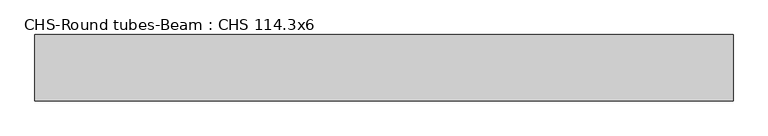
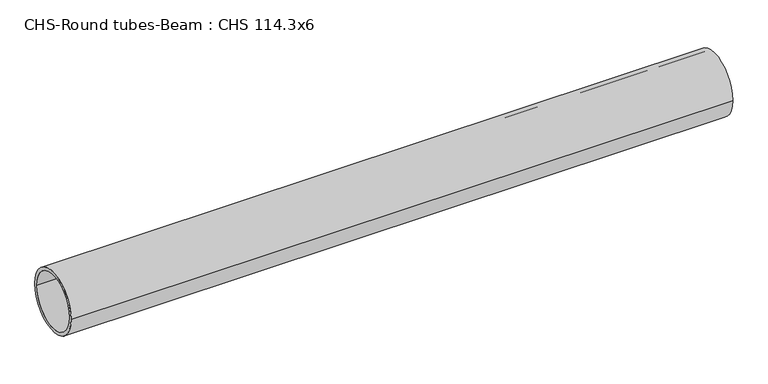
"""IFC4 building model written with IfcOpenShell, lengths in millimetres: beam geometry, CHS-Round tubes-Beam : CHS 114.3x6."""

from ifc_helpers import new_model, si_unit, point, frame, origin, origin_2d, place, context, project, spatial, circle_curve, trimmed, segment, composite_curve, outline, extrude, source, transform, mapped, element, save


def chs_round_tubes_beam_chs_114_3x6_2a1aef60(model_context):
    return source(origin(), model_context, "Body", "SweptSolid", [
        extrude(outline(composite_curve([segment(trimmed(circle_curve(origin_2d(), 57.15), [point((57.15, 0.0))], [point((-57.15, 0.0))], False, "CARTESIAN"), True, "CONTINUOUS"), segment(trimmed(circle_curve(origin_2d(), 57.15), [point((-57.15, 0.0))], [point((57.15, 0.0))], False, "CARTESIAN"), True, "CONTINUOUS")], self_intersect=False), holes=[composite_curve([segment(trimmed(circle_curve(origin_2d(), 51.15), [point((51.15, 0.0))], [point((-51.15, 0.0))], True, "CARTESIAN"), True, "CONTINUOUS"), segment(trimmed(circle_curve(origin_2d(), 51.15), [point((-51.15, 0.0))], [point((51.15, 0.0))], True, "CARTESIAN"), True, "CONTINUOUS")], self_intersect=False)]), frame((-572.1102733, 0.0, 0.0), z_axis=(1.0, 0.0, 0.0), x_axis=(0.0, 1.0, 0.0)), (0.0, 0.0, 1.0), 1205.1067307),
    ])


if __name__ == "__main__":
    model = new_model("IFC4")
    model_context = context("Model", 3, world=origin())
    ifc_project = project(units=[si_unit("LENGTHUNIT", "METRE", prefix="MILLI")], contexts=[model_context])
    site = spatial("IfcSite", under=ifc_project)
    building = spatial("IfcBuilding", under=site)
    placement = place(None, origin())
    chs_round_tubes_beam_chs_114_3x6_shape = chs_round_tubes_beam_chs_114_3x6_2a1aef60(model_context)
    element("IfcBeam", 1, ObjectType="CHS-Round tubes-Beam : CHS 114.3x6", at=placement, inside=building, context=model_context, shape_type="MappedRepresentation", body=[
        mapped(chs_round_tubes_beam_chs_114_3x6_shape, transform((0.0, 0.0, 0.0), x_axis=(1.0, 0.0, 0.0), y_axis=(0.0, 1.0, 0.0), z_axis=(0.0, 0.0, 1.0))),
    ])
    save(model, "model.ifc")
